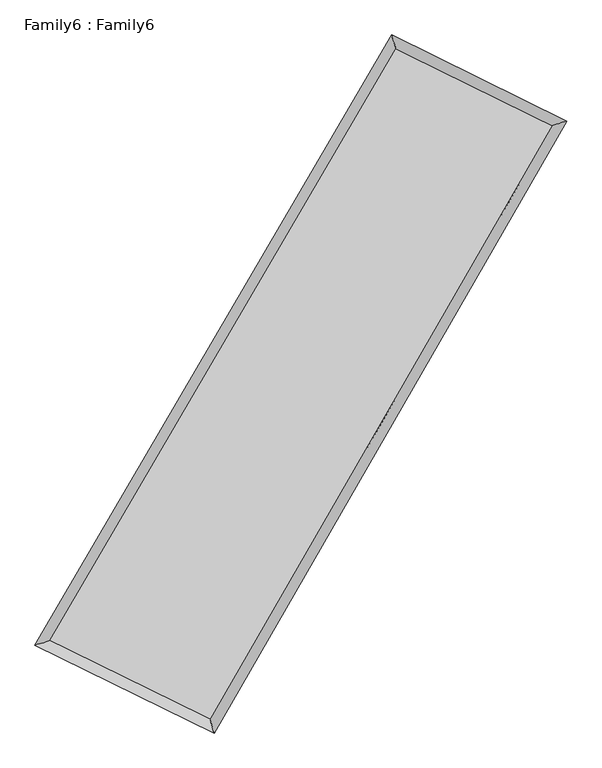
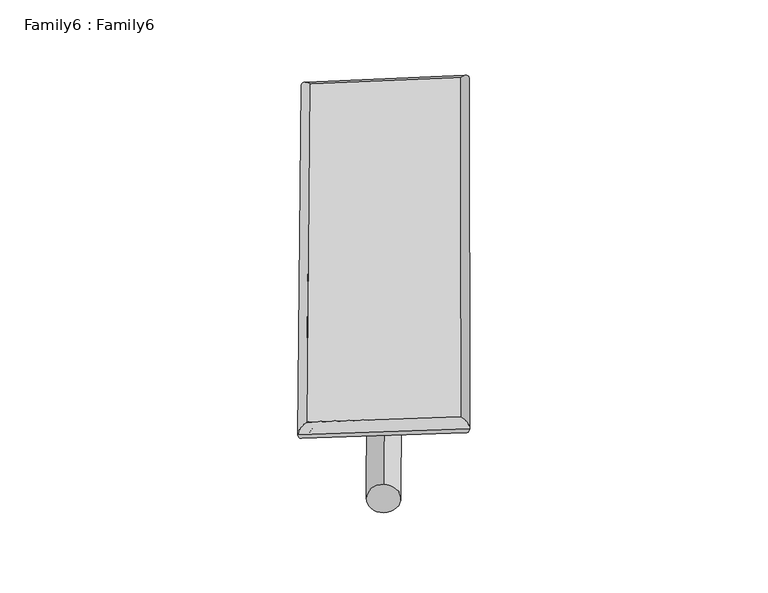
"""IFC4 building model written with IfcOpenShell, lengths in millimetres: plate geometry, Family6 : Family6."""

from ifc_helpers import new_model, si_unit, point, frame, origin, origin_2d, place, context, project, spatial, circle_curve, ellipse_curve, trimmed, segment, composite_curve, outline, extrude, source, transform, mapped, element, save
from ifc_brep_helpers import plane_surface, cylinder_surface, spline_surface, advanced_brep


def family6_family6_520880a9(model_context):
    return source(origin(), model_context, "Body", "SolidModel", [
        extrude(outline(composite_curve([segment(trimmed(circle_curve(origin_2d(), 76.2), [point((-75.4341514, -10.7763074))], [point((75.4341514, 10.7763074))], False, "CARTESIAN"), True, "CONTINUOUS"), segment(trimmed(circle_curve(origin_2d(), 76.2), [point((75.4341514, 10.7763074))], [point((-75.4341514, -10.7763074))], False, "CARTESIAN"), True, "CONTINUOUS")], self_intersect=False)), frame((9144.0, 9144.0, 0.0), z_axis=(0.6712837340645277, 0.6906256078000698, 0.2690992720747658), x_axis=(-0.6821090448690578, 0.7176677147707587, -0.14028650000459383)), (0.0, 0.0, 1.0), 5681.9092378),
        extrude(outline(composite_curve([segment(trimmed(circle_curve(origin_2d(), 76.2), [point((-53.8815367, 53.8815367))], [point((53.8815367, -53.8815367))], False, "CARTESIAN"), True, "CONTINUOUS"), segment(trimmed(circle_curve(origin_2d(), 76.2), [point((53.8815367, -53.8815367))], [point((-53.8815367, 53.8815367))], False, "CARTESIAN"), True, "CONTINUOUS")], self_intersect=False)), frame((9144.0, 9144.0, 0.0), z_axis=(-0.6751938309671026, -0.687014339765006, 0.26856021220802734), x_axis=(0.6383979466592555, -0.3618510737524356, 0.6793466435667844)), (0.0, 0.0, 1.0), 5693.5854168),
        extrude(outline(composite_curve([segment(trimmed(circle_curve(origin_2d(), 76.2), [point((-53.8815368, -53.8815367))], [point((53.8815368, 53.8815367))], False, "CARTESIAN"), True, "CONTINUOUS"), segment(trimmed(circle_curve(origin_2d(), 76.2), [point((53.8815368, 53.8815367))], [point((-53.8815368, -53.8815367))], False, "CARTESIAN"), True, "CONTINUOUS")], self_intersect=False)), frame((9144.0, 9144.0, 0.0), z_axis=(0.2586325666200733, 0.9259004061041199, 0.27535001990146873), x_axis=(-0.843149382366258, 0.35548302271201415, -0.4033992310093406)), (0.0, 0.0, 1.0), 5507.0893338),
        extrude(outline(composite_curve([segment(trimmed(circle_curve(origin_2d(), 76.2), [point((-75.4341514, 10.7763073))], [point((75.4341514, -10.7763073))], False, "CARTESIAN"), True, "CONTINUOUS"), segment(trimmed(circle_curve(origin_2d(), 76.2), [point((75.4341514, -10.7763073))], [point((-75.4341514, 10.7763073))], False, "CARTESIAN"), True, "CONTINUOUS")], self_intersect=False)), frame((9144.0, 9144.0, 0.0), z_axis=(-0.25314784071577695, -0.9274792576126171, 0.2751334175255503), x_axis=(0.8845871579746444, -0.10676641844147253, 0.45398952833685713)), (0.0, 0.0, 1.0), 5512.4954855),
        advanced_brep(
        [(5085.4112053, 5167.8120029, 1528.1430484), (5085.405938, 5167.8050407, 1530.2471323), (5514.0412957, 5297.038345, 1529.9979671), (10628.3057709, 14043.7006104, 1517.6764173), (10508.3195271, 14442.3318908, 1515.077898), (5514.046563, 5297.0453072, 1527.8938832), (12744.828899, 13003.1392339, 1528.8534469), (13171.5176006, 13133.0048078, 1529.1418329), (7687.6758735, 4230.8665854, 1516.8883325), (7809.3714683, 3831.6829737, 1516.4551115)],
        [
            (0, 1, ellipse_curve(frame((5299.7262505, 5232.425174, 1529.0705078), z_axis=(-0.2886624876797228, 0.9574277979053135, 0.0024454048204854114), x_axis=(-0.9574204784554896, -0.2886703267655868, 0.003933176720031393)), 223.8536217, 152.4)),
            (1, 2, ellipse_curve(frame((5299.7262505, 5232.425174, 1529.0705078), z_axis=(-0.2886624876797228, 0.9574277979053135, 0.0024454048204854114), x_axis=(-0.9574204784554896, -0.2886703267655868, 0.003933176720031393)), 223.8536217, 152.4)),
            (2, 3),
            (3, 4, ellipse_curve(frame((10568.312649, 14243.0162506, 1516.3771577), z_axis=(-0.9575564078371298, -0.2882359061301038, -0.0024058735233457233), x_axis=(0.2882239154904646, -0.9575530612606284, 0.004371431086615215)), 208.1531128, 152.4)),
            (4, 0),
            (2, 5, ellipse_curve(frame((5299.7262505, 5232.425174, 1529.0705078), z_axis=(-0.2886624876797228, 0.9574277979053135, 0.0024454048204854114), x_axis=(-0.9574204784554896, -0.2886703267655868, 0.003933176720031393)), 223.8536217, 152.4)),
            (5, 0, ellipse_curve(frame((5299.7262505, 5232.425174, 1529.0705078), z_axis=(-0.2886624876797228, 0.9574277979053135, 0.0024454048204854114), x_axis=(-0.9574204784554896, -0.2886703267655868, 0.003933176720031393)), 223.8536217, 152.4)),
            (4, 3, ellipse_curve(frame((10568.312649, 14243.0162506, 1516.3771577), z_axis=(-0.9575564078371298, -0.2882359061301038, -0.0024058735233457233), x_axis=(0.2882239154904646, -0.9575530612606284, 0.004371431086615215)), 208.1531128, 152.4)),
            (3, 6),
            (6, 7, ellipse_curve(frame((12958.1732498, 13068.0720208, 1528.9976399), z_axis=(-0.2911668072049591, 0.9566687598351743, -0.002602755751085959), x_axis=(-0.9566610621404179, -0.2911754964045464, -0.0040549325436228904)), 223.0084281, 152.4)),
            (7, 4),
            (7, 6, ellipse_curve(frame((12958.1732498, 13068.0720208, 1528.9976399), z_axis=(-0.2911668072049591, 0.9566687598351743, -0.002602755751085959), x_axis=(-0.9566610621404179, -0.2911754964045464, -0.0040549325436228904)), 223.0084281, 152.4)),
            (6, 8),
            (8, 9, ellipse_curve(frame((7748.5236709, 4031.2747795, 1516.671722), z_axis=(0.9565337576559622, 0.2916125282130088, -0.002303009722567966), x_axis=(-0.2916015028735218, 0.9565307032725185, 0.004192519395874611)), 208.6618538, 152.4)),
            (9, 7),
            (9, 8, ellipse_curve(frame((7748.5236709, 4031.2747795, 1516.671722), z_axis=(0.9565337576559622, 0.2916125282130088, -0.002303009722567966), x_axis=(-0.2916015028735218, 0.9565307032725185, 0.004192519395874611)), 208.6618538, 152.4)),
            (8, 5),
            (1, 9),
        ],
        [
            cylinder_surface(frame((5299.7262505, 5232.425174, 1529.0705078), z_axis=(-0.504757349233569, -0.8632604123473042, 0.0012160874407628514), x_axis=(-0.8632419913474181, 0.5047361622844468, -0.007393974365173057)), 152.4),
            cylinder_surface(frame((10568.312649, 14243.0162506, 1516.3771577), z_axis=(-0.8973989250920845, 0.44119464059904906, -0.004739024187239049), x_axis=(0.44121336369993186, 0.8973927913780836, -0.004116512509757466)), 152.4),
            cylinder_surface(frame((12958.1732498, 13068.0720208, 1528.9976399), z_axis=(0.4994424729208774, 0.866346247119798, 0.0011816700557248003), x_axis=(0.8663469952897169, -0.49944247292087735, -0.0003162201095956991)), 152.4),
            cylinder_surface(frame((7748.5236709, 4031.2747795, 1516.671722), z_axis=(0.897801364244412, -0.4403771638285785, -0.004545760571124266), x_axis=(-0.44036840081678735, -0.897812710524698, 0.002829908542713636)), 152.4),
        ],
        [
            (0, [[1, 2, 3, 4, 5]]),
            (0, [[6, 7, -5, 8, -3]]),
            (1, [[-4, 9, 10, 11]]),
            (1, [[-8, -11, 12, -9]]),
            (2, [[-10, 13, 14, 15]]),
            (2, [[-12, -15, 16, -13]]),
            (3, [[-14, 17, -6, -2, 18]]),
            (3, [[-16, -18, -1, -7, -17]]),
        ],
    ),
        extrude(outline(composite_curve([segment(trimmed(circle_curve(origin_2d(), 304.8), [point((-1e-07, -304.8))], [point((-1e-07, 304.8))], False, "CARTESIAN"), True, "CONTINUOUS"), segment(trimmed(circle_curve(origin_2d(), 304.8), [point((-1e-07, 304.8))], [point((-1e-07, -304.8))], False, "CARTESIAN"), True, "CONTINUOUS")], self_intersect=False)), frame((6506.2903225, 4611.2218412, -0.0013621), z_axis=(0.5029586696961509, 0.8643104630729693, 2.5973194455108003e-07), x_axis=(-0.8643104630730055, 0.5029586696961509, 7.007117961118935e-08)), (0.0, 0.0, 1.0), 10488.7730798),
        advanced_brep(
        [(5299.7262505, 5232.425174, 1529.0705078), (7748.5236709, 4031.2747795, 1516.671722), (7748.5267446, 4031.2761227, 1669.071722), (5299.7293242, 5232.4265171, 1681.4705077), (12958.1732498, 13068.0720208, 1528.9976399), (12958.1763235, 13068.0733639, 1681.3976399), (10568.312649, 14243.0162506, 1516.3771577), (10568.3157227, 14243.0175937, 1668.7771576)],
        [
            (0, 1),
            (1, 2),
            (2, 3),
            (3, 0),
            (1, 4),
            (4, 5),
            (5, 2),
            (4, 6),
            (6, 7),
            (7, 5),
            (6, 0),
            (3, 7),
        ],
        [
            plane_surface(frame((6524.1249607, 4631.8499768, 1522.8711149), z_axis=(-0.4403816452581945, -0.8978106739383513, 1.6794327073239466e-05), x_axis=(0.8978013642444121, -0.4403771638285783, -0.0045457605711242705))),
            plane_surface(frame((10353.3484603, 8549.6734002, 1522.834681), z_axis=(0.8663468596195484, -0.4994428081937786, -1.3071305128181101e-05), x_axis=(0.49944247292087707, 0.8663462471197982, 0.0011816700557247984))),
            plane_surface(frame((11763.2429494, 13655.5441357, 1522.6873988), z_axis=(0.44119966635161123, 0.8974089670427539, -1.680728508641734e-05), x_axis=(-0.8973989250920845, 0.44119464059904917, -0.0047390241872390495))),
            plane_surface(frame((7934.0194497, 9737.7207123, 1522.7238327), z_axis=(-0.8632610426432717, 0.5047577360342603, 1.2962227850361017e-05), x_axis=(-0.5047573492335689, -0.8632604123473041, 0.0012160874407628512))),
            spline_surface(1, 1, [[(7748.5267446, 4031.2761227, 1669.071722), (5299.7293242, 5232.4265171, 1681.4705077)], [(12958.1763235, 13068.0733639, 1681.3976399), (10568.3157227, 14243.0175937, 1668.7771576)]], [2, 2], [2, 2], [0.0, 1.0], [0.0, 1.0]),
            spline_surface(1, 1, [[(10568.312649, 14243.0162506, 1516.3771577), (5299.7262505, 5232.425174, 1529.0705078)], [(12958.1732498, 13068.0720208, 1528.9976399), (7748.5236709, 4031.2747795, 1516.671722)]], [2, 2], [2, 2], [0.0, 1.0], [0.0, 1.0]),
        ],
        [
            (0, [[1, 2, 3, 4]]),
            (1, [[5, 6, 7, -2]]),
            (2, [[8, 9, 10, -6]]),
            (3, [[11, -4, 12, -9]]),
            (4, [[-3, -7, -10, -12]]),
            (5, [[-11, -8, -5, -1]]),
        ],
    ),
    ])


if __name__ == "__main__":
    model = new_model("IFC4")
    model_context = context("Model", 3, world=origin())
    ifc_project = project(units=[si_unit("LENGTHUNIT", "METRE", prefix="MILLI")], contexts=[model_context])
    site = spatial("IfcSite", under=ifc_project)
    building = spatial("IfcBuilding", under=site)
    placement = place(None, origin())
    family6_family6_shape = family6_family6_520880a9(model_context)
    element("IfcPlate", 1, ObjectType="Family6 : Family6", at=placement, inside=building, context=model_context, shape_type="MappedRepresentation", body=[
        mapped(family6_family6_shape, transform((0.0, 0.0, 0.0), x_axis=(1.0, 0.0, 0.0), y_axis=(0.0, 1.0, 0.0), z_axis=(0.0, 0.0, 1.0))),
    ])
    save(model, "model.ifc")
